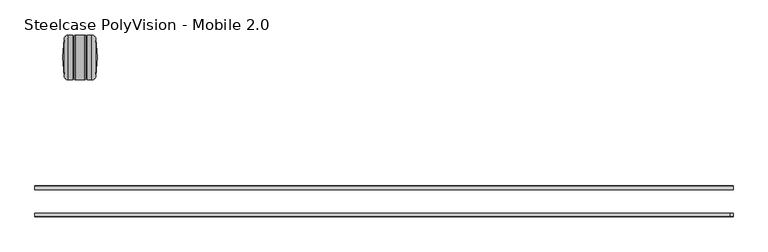
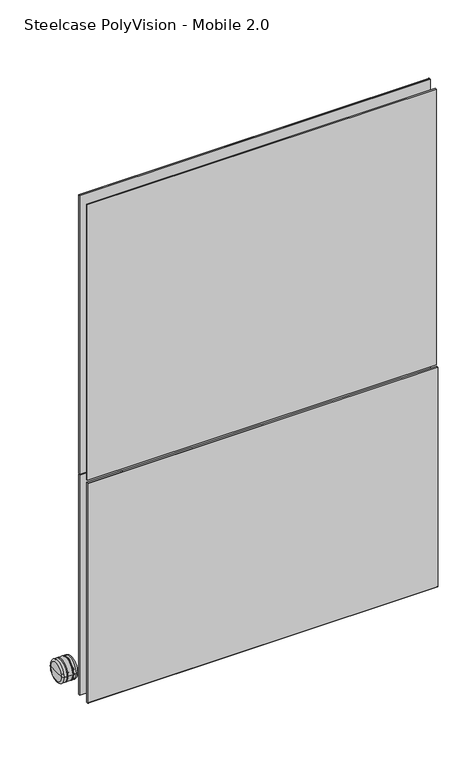
"""IFC4 building model written with IfcOpenShell, lengths in millimetres: furniture geometry, Steelcase PolyVision - Mobile 2.0."""

import ifcopenshell
import ifcopenshell.guid

model = None  # the IFC model being written
_history = None  # IfcOwnerHistory: only IFC2X3 demands one
_inside = {}  # id of a spatial element -> (the spatial element, [elements in it])
_under = {}  # id of a project, library or spatial element -> (it, [spatial elements below it])
_declared = {}  # id of a project -> (the project, [libraries it declares])
_typed = {}  # id of a type object -> (the type object, [elements of that type])
_made_of = {}  # id of a material, layer set ... -> (it, [elements and type objects made of it])


def new_model(schema):
    """Start an empty IFC model of exactly this schema.

    Asked for "IFC4X3", IfcOpenShell would pick the latest addendum, in which some entities
    have other attributes; the version numbers below select the first issue.
    IFC2X3 requires an IfcOwnerHistory on every rooted entity: one is made here for all.
    """
    global model, _history
    if schema == "IFC4X3":
        model = ifcopenshell.file(schema_version=(4, 3, 0, 0))
    else:
        model = ifcopenshell.file(schema=schema)
    _inside.clear()
    _under.clear()
    _declared.clear()
    _typed.clear()
    _made_of.clear()
    _history = None
    if model.schema == "IFC2X3":
        org = make("IfcOrganization", Name="unknown")
        user = make(
            "IfcPersonAndOrganization",
            ThePerson=make("IfcPerson", FamilyName="unknown"),
            TheOrganization=org,
        )
        app = make(
            "IfcApplication",
            ApplicationDeveloper=org,
            Version="unknown",
            ApplicationFullName="unknown",
            ApplicationIdentifier="unknown",
        )
        _history = make(
            "IfcOwnerHistory",
            OwningUser=user,
            OwningApplication=app,
            ChangeAction="ADDED",
            CreationDate=0,
        )
    return model


def make(cls, **values):
    """One entity of the class cls with the attributes given. An attribute that is None is left unset."""
    return model.create_entity(
        cls, **{name: value for name, value in values.items() if value is not None}
    )


def rooted(cls, **values):
    """An entity with a GlobalId (a new one), such as an element, a storey or a relation."""
    return make(cls, GlobalId=ifcopenshell.guid.new(), OwnerHistory=_history, **values)


def si_unit(unit_type, name, prefix=None):
    """IfcSIUnit, for example si_unit("LENGTHUNIT", "METRE", prefix="MILLI")."""
    return make("IfcSIUnit", UnitType=unit_type, Prefix=prefix, Name=name)


def assignment(units):
    """IfcUnitAssignment: the units of a project."""
    return None if units is None else make("IfcUnitAssignment", Units=units)


def point(xyz):
    """IfcCartesianPoint."""
    return None if xyz is None else make("IfcCartesianPoint", Coordinates=xyz)


def direction(xyz):
    """IfcDirection."""
    return None if xyz is None else make("IfcDirection", DirectionRatios=xyz)


def frame(location, z_axis=None, x_axis=None):
    """IfcAxis2Placement3D, a coordinate frame: its origin and axes. An axis left out is left unset."""
    return make(
        "IfcAxis2Placement3D",
        Location=point(location),
        Axis=direction(z_axis),
        RefDirection=direction(x_axis),
    )


def frame_2d(location, x_axis=None):
    """IfcAxis2Placement2D, a coordinate frame in the plane: its origin and x axis."""
    return make(
        "IfcAxis2Placement2D", Location=point(location), RefDirection=direction(x_axis)
    )


def origin():
    """The frame at (0, 0, 0) with its axes left unset."""
    return frame((0.0, 0.0, 0.0))


def place(relative_to, where):
    """IfcLocalPlacement: puts the frame where relative to a parent placement (None: the world)."""
    return make(
        "IfcLocalPlacement", PlacementRelTo=relative_to, RelativePlacement=where
    )


def context(
    kind, dimensions, precision=None, world=None, true_north=None, identifier=None
):
    """IfcGeometricRepresentationContext, for example the 3D "Model" context."""
    return make(
        "IfcGeometricRepresentationContext",
        ContextIdentifier=identifier,
        ContextType=kind,
        CoordinateSpaceDimension=dimensions,
        Precision=precision,
        WorldCoordinateSystem=world,
        TrueNorth=true_north,
    )


def project(units=None, contexts=None):
    """IfcProject with its units and contexts."""
    return rooted(
        "IfcProject",
        Name="project",
        RepresentationContexts=contexts,
        UnitsInContext=assignment(units),
    )


def spatial(cls, under=None, at=None, **own):
    """A site, building, storey or space (cls), placed at a placement, below another one or the project."""
    s = rooted(cls, ObjectPlacement=at, **own)
    if under is not None:
        _under.setdefault(under.id(), (under, []))[1].append(s)
    return s


def polyline(points):
    """IfcPolyline through the points."""
    return make("IfcPolyline", Points=[point(p) for p in points])


def circle_curve(where, radius):
    """IfcCircle in the frame where."""
    return make("IfcCircle", Position=where, Radius=radius)


def ellipse_curve(where, semi_axis1, semi_axis2):
    """IfcEllipse in the frame where."""
    return make(
        "IfcEllipse", Position=where, SemiAxis1=semi_axis1, SemiAxis2=semi_axis2
    )


def trimmed(basis, trim1, trim2, sense, master):
    """IfcTrimmedCurve: the piece of a basis curve between two trims."""
    return make(
        "IfcTrimmedCurve",
        BasisCurve=basis,
        Trim1=trim1,
        Trim2=trim2,
        SenseAgreement=sense,
        MasterRepresentation=master,
    )


def segment(curve, same_sense, transition):
    """IfcCompositeCurveSegment."""
    return make(
        "IfcCompositeCurveSegment",
        Transition=transition,
        SameSense=same_sense,
        ParentCurve=curve,
    )


def composite_curve(segments, self_intersect=None):
    """IfcCompositeCurve: segments joined end to end."""
    return make("IfcCompositeCurve", Segments=segments, SelfIntersect=self_intersect)


def outline(outer, holes=None, kind="AREA"):
    """IfcArbitraryClosedProfileDef: a profile drawn as a closed curve; with holes, ...WithVoids."""
    if holes is None:
        return make("IfcArbitraryClosedProfileDef", ProfileType=kind, OuterCurve=outer)
    return make(
        "IfcArbitraryProfileDefWithVoids",
        ProfileType=kind,
        OuterCurve=outer,
        InnerCurves=holes,
    )


def extrude(swept, where, along, depth):
    """IfcExtrudedAreaSolid: the profile swept, set in the frame where, extruded along a direction by depth."""
    return make(
        "IfcExtrudedAreaSolid",
        SweptArea=swept,
        Position=where,
        ExtrudedDirection=direction(along),
        Depth=depth,
    )


def shape(context_of_items, identifier, shape_type, items):
    """IfcShapeRepresentation: the items that make up one representation, for example the "Body"."""
    return make(
        "IfcShapeRepresentation",
        ContextOfItems=context_of_items,
        RepresentationIdentifier=identifier,
        RepresentationType=shape_type,
        Items=items,
    )


def source(mapping_origin, context_of_items, identifier, shape_type, items):
    """IfcRepresentationMap: a shape defined once, which mapped items show again and again."""
    return make(
        "IfcRepresentationMap",
        MappingOrigin=mapping_origin,
        MappedRepresentation=shape(context_of_items, identifier, shape_type, items),
    )


def transform(
    local_origin,
    x_axis=None,
    y_axis=None,
    z_axis=None,
    scale=None,
    scale2=None,
    scale3=None,
    uniform=True,
):
    """IfcCartesianTransformationOperator3D, or its non-uniform kind. x_axis, y_axis, z_axis: its Axis1, 2, 3."""
    if uniform:
        return make(
            "IfcCartesianTransformationOperator3D",
            Axis1=direction(x_axis),
            Axis2=direction(y_axis),
            LocalOrigin=point(local_origin),
            Scale=scale,
            Axis3=direction(z_axis),
        )
    return make(
        "IfcCartesianTransformationOperator3DnonUniform",
        Axis1=direction(x_axis),
        Axis2=direction(y_axis),
        LocalOrigin=point(local_origin),
        Scale=scale,
        Axis3=direction(z_axis),
        Scale2=scale2,
        Scale3=scale3,
    )


def mapped(mapping_source, mapping_target):
    """IfcMappedItem: shows the shape of a source again, moved by a transform."""
    return make(
        "IfcMappedItem", MappingSource=mapping_source, MappingTarget=mapping_target
    )


def made_of(thing, what):
    """Note that an element or type object is made of a material, layer set ...; save() writes the relation."""
    if what is not None:
        _made_of.setdefault(what.id(), (what, []))[1].append(thing)
    return thing


def element(
    cls,
    number,
    at=None,
    inside=None,
    cuts=None,
    type_object=None,
    material=None,
    context=None,
    identifier="Body",
    shape_type=None,
    held_by="IfcProductDefinitionShape",
    body=None,
    shapes=None,
    **own,
):
    """One element of the class cls, such as IfcWall. Its Tag is "e" and its number.

    at: its placement. inside: the storey or other place that contains it. cuts: it is an
    opening in that element (IfcRelVoidsElement). A single representation is given by context,
    identifier, shape_type and body (its items); several are given by shapes. held_by: the class
    of the entity that holds the representations. save() writes the other relations.
    """
    e = rooted(cls, Tag="e%d" % number, ObjectPlacement=at, **own)
    if body is not None:
        shapes = [shape(context, identifier, shape_type, body)]
    if shapes is not None:
        e.Representation = make(held_by, Representations=shapes)
    if inside is not None:
        _inside.setdefault(inside.id(), (inside, []))[1].append(e)
    if cuts is not None:
        rooted(
            "IfcRelVoidsElement", RelatingBuildingElement=cuts, RelatedOpeningElement=e
        )
    if type_object is not None:
        _typed.setdefault(type_object.id(), (type_object, []))[1].append(e)
    return made_of(e, material)


def aggregate(whole, parts):
    """IfcRelAggregates: a whole, such as a stair, and the parts it consists of."""
    return rooted("IfcRelAggregates", RelatingObject=whole, RelatedObjects=parts)


def save(model, path):
    """Write the relations noted so far, then the file.

    IfcRelAggregates (storeys below a building ...), IfcRelContainedInSpatialStructure (elements
    in a storey), IfcRelDefinesByType, IfcRelAssociatesMaterial and IfcRelDeclares: one each for
    every whole, place, type object, material and project.
    """
    for whole, parts in _under.values():
        aggregate(whole, parts)
    for where, things in _inside.values():
        rooted(
            "IfcRelContainedInSpatialStructure",
            RelatedElements=things,
            RelatingStructure=where,
        )
    for kind, things in _typed.values():
        rooted("IfcRelDefinesByType", RelatedObjects=things, RelatingType=kind)
    for what, things in _made_of.values():
        rooted("IfcRelAssociatesMaterial", RelatedObjects=things, RelatingMaterial=what)
    for by, libraries in _declared.values():
        rooted("IfcRelDeclares", RelatingContext=by, RelatedDefinitions=libraries)
    model.write(path)


def plane_surface(at):
    """IfcPlane: the flat surface through the origin of the frame at, square to its z axis."""
    return make("IfcPlane", Position=at)


def cylinder_surface(at, radius):
    """IfcCylindricalSurface: all points at the distance radius from the z axis of the frame at."""
    return make("IfcCylindricalSurface", Position=at, Radius=radius)


def revolved_surface(curve, axis_point, axis_direction):
    """IfcSurfaceOfRevolution: the curve turned about the line through axis_point along axis_direction."""
    return make(
        "IfcSurfaceOfRevolution",
        SweptCurve=make("IfcArbitraryOpenProfileDef", ProfileType="CURVE", Curve=curve),
        AxisPosition=make("IfcAxis1Placement", Location=point(axis_point), Axis=direction(axis_direction)),
    )


def advanced_brep(points, edges, surfaces, faces):
    """IfcAdvancedBrep: a solid bounded by faces that lie on surfaces and meet in shared edges.

    An edge is (start, end): straight between two places in points (the first is 0);
    or (start, end, curve); or (start, end, curve, False) where it runs against its curve.
    A face is (place in surfaces, loops), or (place, loops, False) where it looks against
    its surface's normal. A loop lists edges by number (the first is 1), with a minus sign
    where the edge is run from its end to its start. The first loop is the outer one.
    """
    corners = [point(p) for p in points]
    vertices = [make("IfcVertexPoint", VertexGeometry=c) for c in corners]
    made = []
    for start, end, *more in edges:
        made.append(
            make(
                "IfcEdgeCurve",
                EdgeStart=vertices[start],
                EdgeEnd=vertices[end],
                EdgeGeometry=more[0] if more else make("IfcPolyline", Points=[corners[start], corners[end]]),
                SameSense=more[1] if len(more) > 1 else True,
            )
        )
    hull = []
    for where, loops, *sense in faces:
        bounds = []
        for j, loop in enumerate(loops):
            ring = [make("IfcOrientedEdge", EdgeElement=made[abs(k) - 1], Orientation=k > 0) for k in loop]
            bounds.append(
                make(
                    "IfcFaceOuterBound" if j == 0 else "IfcFaceBound",
                    Bound=make("IfcEdgeLoop", EdgeList=ring),
                    Orientation=True,
                )
            )
        hull.append(make("IfcAdvancedFace", Bounds=bounds, FaceSurface=surfaces[where], SameSense=sense[0] if sense else True))
    return make("IfcAdvancedBrep", Outer=make("IfcClosedShell", CfsFaces=hull))


def steelcase_polyvision_mobile_2_0_6cc7c46a(model_context):
    return source(origin(), model_context, "Body", "SolidModel", [
        advanced_brep(
        [(81.7350776, 212.5740139, 47.4850861), (81.7350776, 276.7474341, 47.4850861), (83.9787989, 244.660724, 47.4850861), (75.4005459, 206.6669675, 47.4850861), (75.4005459, 282.6544805, 47.4850861), (67.2277247, 206.6669675, 47.4850861), (67.2277247, 282.6544805, 47.4850861), (67.2277247, 230.6363298, 47.4850861), (67.2277247, 258.6851183, 47.4850861), (64.5394463, 230.6363298, 47.4850861), (64.5394463, 258.6851183, 47.4850861), (64.5394463, 207.7291343, 47.4850861), (64.5394463, 281.5923138, 47.4850861), (63.4772796, 206.6669675, 47.4850861), (63.4772796, 282.6544805, 47.4850861), (47.9837926, 206.6669675, 47.4850861), (47.9837926, 282.6544805, 47.4850861), (45.2112719, 209.4394883, 47.4850861), (45.2112719, 279.8819597, 47.4850861), (45.2112719, 230.6363298, 47.4850861), (45.2112719, 258.6851183, 47.4850861), (42.5258239, 230.6363298, 47.4850861), (42.5258239, 258.6851183, 47.4850861), (42.5258239, 206.6669675, 47.4850861), (42.5258239, 282.6544805, 47.4850861), (34.7677482, 206.6669675, 47.4850861), (34.7677482, 282.6544805, 47.4850861), (28.4332165, 212.5740139, 47.4850861), (28.4332165, 276.7474341, 47.4850861), (26.1894951, 244.660724, 47.4850861)],
        [
            (0, 1, circle_curve(frame((81.7350776, 244.660724, 47.4850861), z_axis=(1.0, 0.0, 0.0), x_axis=(0.0, 1.0, 0.0)), 32.0867101)),
            (1, 2),
            (2, 0),
            (1, 0, circle_curve(frame((81.7350776, 244.660724, 47.4850861), z_axis=(1.0, 0.0, 0.0), x_axis=(0.0, 1.0, 0.0)), 32.0867101)),
            (3, 4, circle_curve(frame((75.4005459, 244.660724, 47.4850861), z_axis=(1.0, 0.0, 0.0), x_axis=(0.0, 1.0, 0.0)), 37.9937565)),
            (4, 1, circle_curve(frame((75.4005459, 276.3044805, 47.4850861), z_axis=(0.0, 0.0, -1.0), x_axis=(1.0, 0.0, 0.0)), 6.35)),
            (0, 3, circle_curve(frame((75.4005459, 213.0169675, 47.4850861), z_axis=(0.0, 0.0, -1.0), x_axis=(1.0, 0.0, 0.0)), 6.35)),
            (4, 3, circle_curve(frame((75.4005459, 244.660724, 47.4850861), z_axis=(1.0, 0.0, 0.0), x_axis=(0.0, 1.0, 0.0)), 37.9937565)),
            (5, 6, circle_curve(frame((67.2277247, 244.660724, 47.4850861), z_axis=(1.0, 0.0, 0.0), x_axis=(0.0, 1.0, 0.0)), 37.9937565)),
            (6, 4),
            (3, 5),
            (6, 5, circle_curve(frame((67.2277247, 244.660724, 47.4850861), z_axis=(1.0, 0.0, 0.0), x_axis=(0.0, 1.0, 0.0)), 37.9937565)),
            (7, 8, circle_curve(frame((67.2277247, 244.660724, 47.4850861), z_axis=(1.0, 0.0, 0.0), x_axis=(0.0, 1.0, 0.0)), 14.0243942)),
            (8, 6),
            (5, 7),
            (8, 7, circle_curve(frame((67.2277247, 244.660724, 47.4850861), z_axis=(1.0, 0.0, 0.0), x_axis=(0.0, 1.0, 0.0)), 14.0243942)),
            (9, 10, circle_curve(frame((64.5394463, 244.660724, 47.4850861), z_axis=(1.0, 0.0, 0.0), x_axis=(0.0, 1.0, 0.0)), 14.0243942)),
            (10, 8),
            (7, 9),
            (10, 9, circle_curve(frame((64.5394463, 244.660724, 47.4850861), z_axis=(1.0, 0.0, 0.0), x_axis=(0.0, 1.0, 0.0)), 14.0243942)),
            (11, 12, circle_curve(frame((64.5394463, 244.660724, 47.4850861), z_axis=(1.0, 0.0, 0.0), x_axis=(0.0, 1.0, 0.0)), 36.9315898)),
            (12, 10),
            (9, 11),
            (12, 11, circle_curve(frame((64.5394463, 244.660724, 47.4850861), z_axis=(1.0, 0.0, 0.0), x_axis=(0.0, 1.0, 0.0)), 36.9315898)),
            (13, 14, circle_curve(frame((63.4772796, 244.660724, 47.4850861), z_axis=(1.0, 0.0, 0.0), x_axis=(0.0, 1.0, 0.0)), 37.9937565)),
            (14, 12, circle_curve(frame((63.4772796, 281.5923138, 47.4850861), z_axis=(0.0, 0.0, -1.0), x_axis=(1.0, 0.0, 0.0)), 1.0621667)),
            (11, 13, circle_curve(frame((63.4772796, 207.7291343, 47.4850861), z_axis=(0.0, 0.0, -1.0), x_axis=(1.0, 0.0, 0.0)), 1.0621667)),
            (14, 13, circle_curve(frame((63.4772796, 244.660724, 47.4850861), z_axis=(1.0, 0.0, 0.0), x_axis=(0.0, 1.0, 0.0)), 37.9937565)),
            (15, 16, circle_curve(frame((47.9837926, 244.660724, 47.4850861), z_axis=(1.0, 0.0, 0.0), x_axis=(0.0, 1.0, 0.0)), 37.9937565)),
            (16, 14),
            (13, 15),
            (16, 15, circle_curve(frame((47.9837926, 244.660724, 47.4850861), z_axis=(1.0, 0.0, 0.0), x_axis=(0.0, 1.0, 0.0)), 37.9937565)),
            (17, 18, circle_curve(frame((45.2112719, 244.660724, 47.4850861), z_axis=(1.0, 0.0, 0.0), x_axis=(0.0, 1.0, 0.0)), 35.2212357)),
            (18, 16, circle_curve(frame((47.9837926, 279.8819597, 47.4850861), z_axis=(0.0, 0.0, -1.0), x_axis=(1.0, 0.0, 0.0)), 2.7725208)),
            (15, 17, circle_curve(frame((47.9837926, 209.4394883, 47.4850861), z_axis=(0.0, 0.0, -1.0), x_axis=(1.0, 0.0, 0.0)), 2.7725208)),
            (18, 17, circle_curve(frame((45.2112719, 244.660724, 47.4850861), z_axis=(1.0, 0.0, 0.0), x_axis=(0.0, 1.0, 0.0)), 35.2212357)),
            (19, 20, circle_curve(frame((45.2112719, 244.660724, 47.4850861), z_axis=(1.0, 0.0, 0.0), x_axis=(0.0, 1.0, 0.0)), 14.0243942)),
            (20, 18),
            (17, 19),
            (20, 19, circle_curve(frame((45.2112719, 244.660724, 47.4850861), z_axis=(1.0, 0.0, 0.0), x_axis=(0.0, 1.0, 0.0)), 14.0243942)),
            (21, 22, circle_curve(frame((42.5258239, 244.660724, 47.4850861), z_axis=(1.0, 0.0, 0.0), x_axis=(0.0, 1.0, 0.0)), 14.0243942)),
            (22, 20),
            (19, 21),
            (22, 21, circle_curve(frame((42.5258239, 244.660724, 47.4850861), z_axis=(1.0, 0.0, 0.0), x_axis=(0.0, 1.0, 0.0)), 14.0243942)),
            (23, 24, circle_curve(frame((42.5258239, 244.660724, 47.4850861), z_axis=(1.0, 0.0, 0.0), x_axis=(0.0, 1.0, 0.0)), 37.9937565)),
            (24, 22),
            (21, 23),
            (24, 23, circle_curve(frame((42.5258239, 244.660724, 47.4850861), z_axis=(1.0, 0.0, 0.0), x_axis=(0.0, 1.0, 0.0)), 37.9937565)),
            (25, 26, circle_curve(frame((34.7677482, 244.660724, 47.4850861), z_axis=(1.0, 0.0, 0.0), x_axis=(0.0, 1.0, 0.0)), 37.9937565)),
            (26, 24),
            (23, 25),
            (26, 25, circle_curve(frame((34.7677482, 244.660724, 47.4850861), z_axis=(1.0, 0.0, 0.0), x_axis=(0.0, 1.0, 0.0)), 37.9937565)),
            (27, 28, circle_curve(frame((28.4332165, 244.660724, 47.4850861), z_axis=(1.0, 0.0, 0.0), x_axis=(0.0, 1.0, 0.0)), 32.0867101)),
            (28, 26, circle_curve(frame((34.7677482, 276.3044805, 47.4850861), z_axis=(0.0, 0.0, -1.0), x_axis=(1.0, 0.0, 0.0)), 6.35)),
            (25, 27, circle_curve(frame((34.7677482, 213.0169675, 47.4850861), z_axis=(0.0, 0.0, -1.0), x_axis=(1.0, 0.0, 0.0)), 6.35)),
            (28, 27, circle_curve(frame((28.4332165, 244.660724, 47.4850861), z_axis=(1.0, 0.0, 0.0), x_axis=(0.0, 1.0, 0.0)), 32.0867101)),
            (29, 28),
            (27, 29),
        ],
        [
            revolved_surface(polyline([(83.9787989, 244.660724, 47.4850861), (81.7350776, 276.7474341, 47.4850861)]), (37.9330189, 244.660724, 47.4850861), (-1.0, 0.0, 0.0)),
            revolved_surface(trimmed(ellipse_curve(frame((75.4005459, 276.3044805, 47.4850861), z_axis=(0.0, 0.0, 1.0), x_axis=(1.0, 0.0, 0.0)), 6.35, 6.35), [point((81.7350776, 276.7474341, 47.4850861))], [point((75.4005459, 282.6544805, 47.4850861))], True, "CARTESIAN"), (37.9330189, 244.660724, 47.4850861), (-1.0, 0.0, 0.0)),
            cylinder_surface(frame((37.9330189, 244.660724, 47.4850861), z_axis=(-1.0, 0.0, 0.0), x_axis=(0.0, 1.0, 0.0)), 37.9937565),
            plane_surface(frame((67.2277247, 244.660724, 47.4850861), z_axis=(-1.0, 0.0, 0.0), x_axis=(0.0, 1.0, 0.0))),
            cylinder_surface(frame((37.9330189, 244.660724, 47.4850861), z_axis=(-1.0, 0.0, 0.0), x_axis=(0.0, 1.0, 0.0)), 14.0243942),
            plane_surface(frame((64.5394463, 244.660724, 47.4850861), z_axis=(1.0, 0.0, 0.0), x_axis=(0.0, 1.0, 0.0))),
            revolved_surface(trimmed(ellipse_curve(frame((63.4772796, 281.5923138, 47.4850861), z_axis=(0.0, 0.0, 1.0), x_axis=(1.0, 0.0, 0.0)), 1.0621667, 1.0621667), [point((64.5394463, 281.5923138, 47.4850861))], [point((63.4772796, 282.6544805, 47.4850861))], True, "CARTESIAN"), (37.9330189, 244.660724, 47.4850861), (-1.0, 0.0, 0.0)),
            revolved_surface(trimmed(ellipse_curve(frame((47.9837926, 279.8819597, 47.4850861), z_axis=(0.0, 0.0, 1.0), x_axis=(1.0, 0.0, 0.0)), 2.7725208, 2.7725208), [point((47.9837926, 282.6544805, 47.4850861))], [point((45.2112719, 279.8819597, 47.4850861))], True, "CARTESIAN"), (37.9330189, 244.660724, 47.4850861), (-1.0, 0.0, 0.0)),
            plane_surface(frame((45.2112719, 244.660724, 47.4850861), z_axis=(-1.0, 0.0, 0.0), x_axis=(0.0, 1.0, 0.0))),
            plane_surface(frame((42.5258239, 244.660724, 47.4850861), z_axis=(1.0, 0.0, 0.0), x_axis=(0.0, 1.0, 0.0))),
            revolved_surface(trimmed(ellipse_curve(frame((34.7677482, 276.3044805, 47.4850861), z_axis=(0.0, 0.0, 1.0), x_axis=(1.0, 0.0, 0.0)), 6.35, 6.35), [point((34.7677482, 282.6544805, 47.4850861))], [point((28.4332165, 276.7474341, 47.4850861))], True, "CARTESIAN"), (37.9330189, 244.660724, 47.4850861), (-1.0, 0.0, 0.0)),
            revolved_surface(polyline([(28.4332165, 276.7474341, 47.4850861), (26.1894951, 244.660724, 47.4850861)]), (37.9330189, 244.660724, 47.4850861), (-1.0, 0.0, 0.0)),
        ],
        [
            (0, [[1, 2, 3]]),
            (0, [[4, -3, -2]]),
            (1, [[5, 6, -1, 7]]),
            (1, [[8, -7, -4, -6]]),
            (2, [[9, 10, -5, 11]]),
            (2, [[12, -11, -8, -10]]),
            (3, [[13, 14, -9, 15]]),
            (3, [[16, -15, -12, -14]]),
            (4, [[17, 18, -13, 19]]),
            (4, [[20, -19, -16, -18]]),
            (5, [[21, 22, -17, 23]]),
            (5, [[24, -23, -20, -22]]),
            (6, [[25, 26, -21, 27]]),
            (6, [[28, -27, -24, -26]]),
            (2, [[29, 30, -25, 31]]),
            (2, [[32, -31, -28, -30]]),
            (7, [[33, 34, -29, 35]]),
            (7, [[36, -35, -32, -34]]),
            (8, [[37, 38, -33, 39]]),
            (8, [[40, -39, -36, -38]]),
            (4, [[41, 42, -37, 43]]),
            (4, [[44, -43, -40, -42]]),
            (9, [[45, 46, -41, 47]]),
            (9, [[48, -47, -44, -46]]),
            (2, [[49, 50, -45, 51]]),
            (2, [[52, -51, -48, -50]]),
            (10, [[53, 54, -49, 55]]),
            (10, [[56, -55, -52, -54]]),
            (11, [[57, -53, 58]]),
            (11, [[-58, -56, -57]]),
        ],
    ),
        extrude(outline(polyline([(1158.9941788, -20.5977019), (1158.9941788, -25.0822274), (-21.4954418, -25.0822274), (-21.4954418, -20.5977019), (1158.9941788, -20.5977019)])), frame((0.0, 0.0, 912.0020844), z_axis=(0.0, 0.0, 1.0), x_axis=(1.0, 0.0, 0.0)), (0.0, 0.0, 1.0), 984.9995667),
        extrude(outline(composite_curve([segment(polyline([(-19.8844665, 902.5019859), (-19.8844665, 116.502603), (-25.6564718, 116.502603)]), True, "CONTINUOUS"), segment(trimmed(circle_curve(frame_2d((-25.6564718, 117.264603)), 0.762), [point((-25.6564718, 116.502603))], [point((-26.4184718, 117.264603))], False, "CARTESIAN"), True, "CONTINUOUS"), segment(polyline([(-26.4184718, 117.264603), (-26.4184718, 901.7399859)]), True, "CONTINUOUS"), segment(trimmed(circle_curve(frame_2d((-25.6564718, 901.7399859)), 0.762), [point((-26.4184718, 901.7399859))], [point((-25.6564718, 902.5019859))], False, "CARTESIAN"), True, "CONTINUOUS"), segment(polyline([(-25.6564718, 902.5019859), (-19.8844665, 902.5019859)]), True, "CONTINUOUS")], self_intersect=False)), frame((-21.4954418, 0.0, 0.0), z_axis=(1.0, 0.0, 0.0), x_axis=(0.0, 1.0, 0.0)), (0.0, 0.0, 1.0), 1185.9930637),
        extrude(outline(composite_curve([segment(polyline([(19.8844665, 902.5019859), (25.6564718, 902.5019859)]), True, "CONTINUOUS"), segment(trimmed(circle_curve(frame_2d((25.6564718, 901.7399859)), 0.762), [point((25.6564718, 902.5019859))], [point((26.4184718, 901.7399859))], False, "CARTESIAN"), True, "CONTINUOUS"), segment(polyline([(26.4184718, 901.7399859), (26.4184718, 117.264603)]), True, "CONTINUOUS"), segment(trimmed(circle_curve(frame_2d((25.6564718, 117.264603)), 0.762), [point((26.4184718, 117.264603))], [point((25.6564718, 116.502603))], False, "CARTESIAN"), True, "CONTINUOUS"), segment(polyline([(25.6564718, 116.502603), (19.8844665, 116.502603), (19.8844665, 902.5019859)]), True, "CONTINUOUS")], self_intersect=False)), frame((-21.4954418, 0.0, 0.0), z_axis=(1.0, 0.0, 0.0), x_axis=(0.0, 1.0, 0.0)), (0.0, 0.0, 1.0), 1185.9930637),
        extrude(outline(composite_curve([segment(polyline([(19.8844665, 1902.5187561), (25.6564718, 1902.5187561)]), True, "CONTINUOUS"), segment(trimmed(circle_curve(frame_2d((25.6564718, 1901.7567561)), 0.762), [point((25.6564718, 1902.5187561))], [point((26.4184718, 1901.7567561))], False, "CARTESIAN"), True, "CONTINUOUS"), segment(polyline([(26.4184718, 1901.7567561), (26.4184718, 907.2575406)]), True, "CONTINUOUS"), segment(trimmed(circle_curve(frame_2d((25.6564718, 907.2575406)), 0.762), [point((26.4184718, 907.2575406))], [point((25.6564718, 906.4955406))], False, "CARTESIAN"), True, "CONTINUOUS"), segment(polyline([(25.6564718, 906.4955406), (19.8844665, 906.4955406), (19.8844665, 1902.5187561)]), True, "CONTINUOUS")], self_intersect=False)), frame((-21.4954418, 0.0, 0.0), z_axis=(1.0, 0.0, 0.0), x_axis=(0.0, 1.0, 0.0)), (0.0, 0.0, 1.0), 1185.9930637),
    ])


if __name__ == "__main__":
    model = new_model("IFC4")
    model_context = context("Model", 3, world=origin())
    ifc_project = project(units=[si_unit("LENGTHUNIT", "METRE", prefix="MILLI")], contexts=[model_context])
    site = spatial("IfcSite", under=ifc_project)
    building = spatial("IfcBuilding", under=site)
    placement = place(None, origin())
    steelcase_polyvision_mobile_2_0_shape = steelcase_polyvision_mobile_2_0_6cc7c46a(model_context)
    element("IfcFurniture", 1, ObjectType="Steelcase PolyVision - Mobile 2.0", at=placement, inside=building, context=model_context, shape_type="MappedRepresentation", body=[
        mapped(steelcase_polyvision_mobile_2_0_shape, transform((0.0, 0.0, 0.0), x_axis=(1.0, 0.0, 0.0), y_axis=(0.0, 1.0, 0.0), z_axis=(0.0, 0.0, 1.0))),
    ])
    save(model, "model.ifc")
